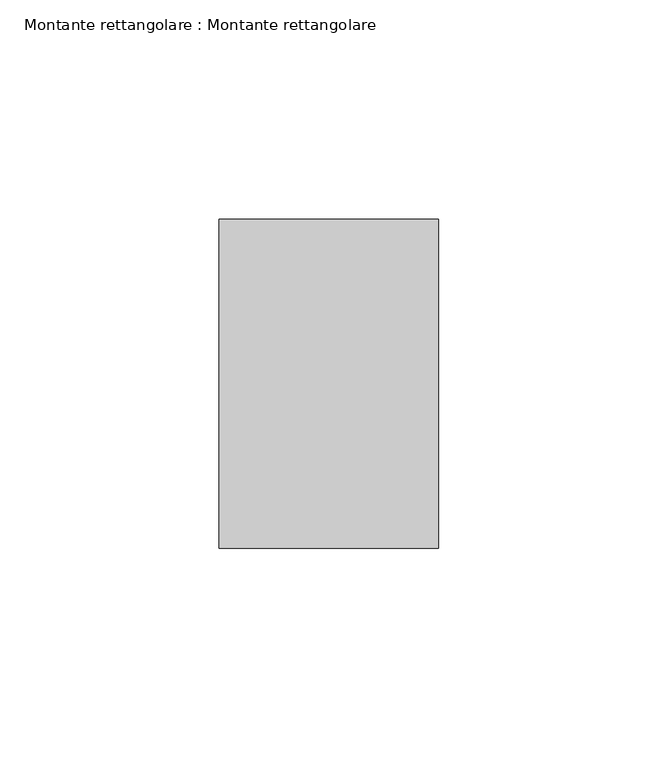
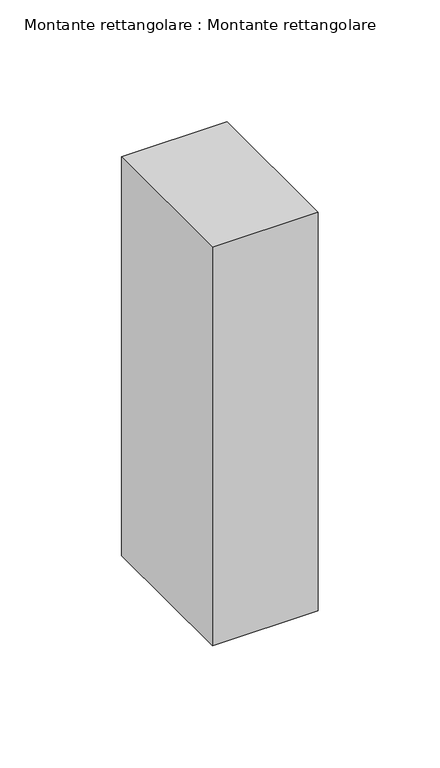
"""IFC4 building model written with IfcOpenShell, lengths in millimetres: member geometry, Montante rettangolare : Montante rettangolare."""

from ifc_helpers import new_model, si_unit, frame, origin, place, context, project, spatial, polyline, outline, extrude, source, transform, mapped, element, save


def montante_rettangolare_montante_rettangolare_b04d522d(model_context):
    return source(origin(), model_context, "Body", "SweptSolid", [
        extrude(outline(polyline([(-37.5, 0.0), (37.5, 0.0), (37.5, -200.1317067), (-37.5, -199.8987397), (-37.5, 0.0)])), frame((-50.0, 0.0, 0.0), z_axis=(1.0, 0.0, 0.0), x_axis=(0.0, 1.0, 0.0)), (0.0, 0.0, 1.0), 50.0),
    ])


if __name__ == "__main__":
    model = new_model("IFC4")
    model_context = context("Model", 3, world=origin())
    ifc_project = project(units=[si_unit("LENGTHUNIT", "METRE", prefix="MILLI")], contexts=[model_context])
    site = spatial("IfcSite", under=ifc_project)
    building = spatial("IfcBuilding", under=site)
    placement = place(None, origin())
    montante_rettangolare_montante_rettangolare_shape = montante_rettangolare_montante_rettangolare_b04d522d(model_context)
    element("IfcMember", 1, ObjectType="Montante rettangolare : Montante rettangolare", at=placement, inside=building, context=model_context, shape_type="MappedRepresentation", body=[
        mapped(montante_rettangolare_montante_rettangolare_shape, transform((0.0, 0.0, 0.0), x_axis=(1.0, 0.0, 0.0), y_axis=(0.0, 1.0, 0.0), z_axis=(0.0, 0.0, 1.0))),
    ])
    save(model, "model.ifc")
